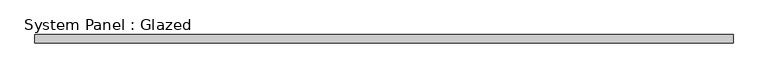
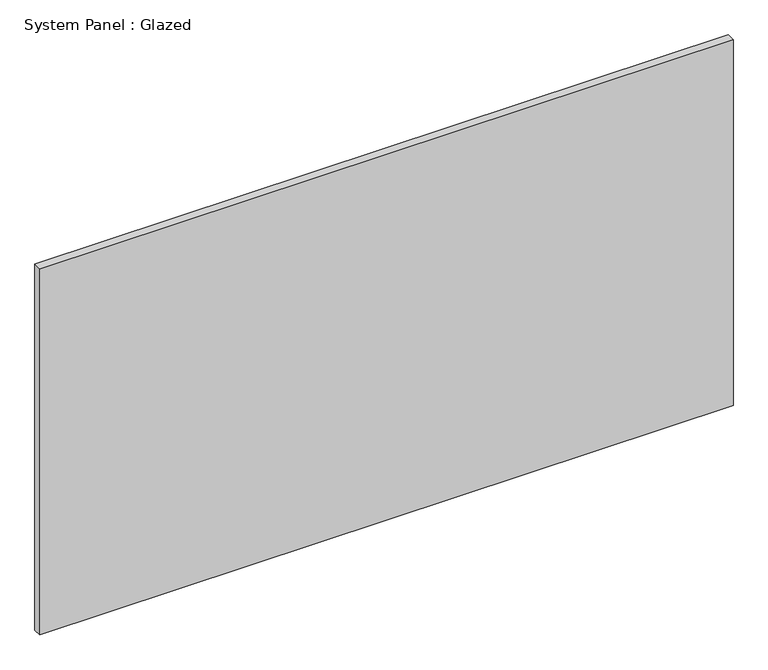
"""IFC4 building model written with IfcOpenShell, lengths in millimetres: plate geometry, System Panel : Glazed."""

from ifc_helpers import new_model, si_unit, origin, origin_with_axes, place, context, project, spatial, polyline, outline, extrude, source, transform, mapped, element, save


def system_panel_glazed_6ce5e085(model_context):
    return source(origin(), model_context, "Body", "SweptSolid", [
        extrude(outline(polyline([(1035.05, 19.05), (-1035.05, 19.05), (-1035.05, 44.45), (1035.05, 44.45), (1035.05, 19.05)])), origin_with_axes(), (0.0, 0.0, 1.0), 1155.7),
    ])


if __name__ == "__main__":
    model = new_model("IFC4")
    model_context = context("Model", 3, world=origin())
    ifc_project = project(units=[si_unit("LENGTHUNIT", "METRE", prefix="MILLI")], contexts=[model_context])
    site = spatial("IfcSite", under=ifc_project)
    building = spatial("IfcBuilding", under=site)
    placement = place(None, origin())
    system_panel_glazed_shape = system_panel_glazed_6ce5e085(model_context)
    element("IfcPlate", 1, ObjectType="System Panel : Glazed", at=placement, inside=building, context=model_context, shape_type="MappedRepresentation", body=[
        mapped(system_panel_glazed_shape, transform((0.0, 0.0, 0.0), x_axis=(1.0, 0.0, 0.0), y_axis=(0.0, 1.0, 0.0), z_axis=(0.0, 0.0, 1.0))),
    ])
    save(model, "model.ifc")
